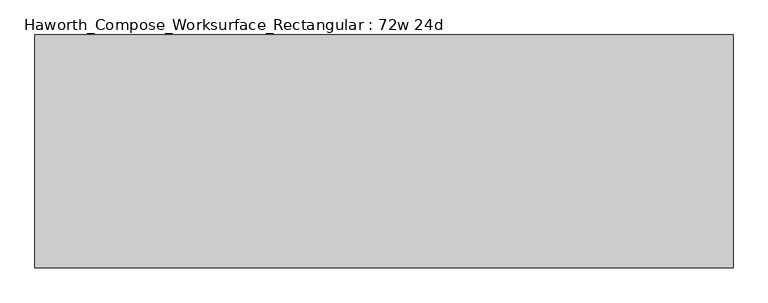
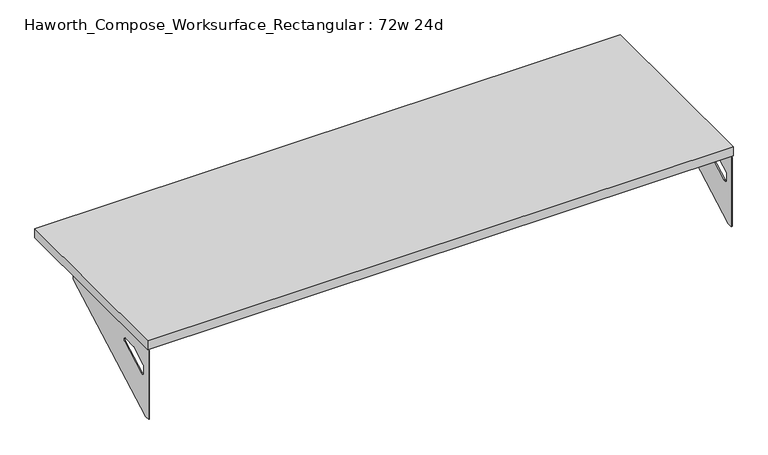
"""IFC4 building model written with IfcOpenShell, lengths in millimetres: furniture geometry, Haworth_Compose_Worksurface_Rectangular : 72w 24d."""

from ifc_helpers import new_model, si_unit, frame, origin, place, context, project, spatial, polyline, circle_curve, outline, extrude, source, transform, mapped, element, save
from ifc_brep_helpers import plane_surface, revolved_surface, advanced_brep


def haworth_compose_worksurface_rectangular_72w_24d_90ac2e42(model_context):
    return source(origin(), model_context, "Body", "SolidModel", [
        advanced_brep(
        [(908.84375, -304.8, 475.45625), (908.84375, -304.8, 704.05625), (908.84375, -288.925, 704.05625), (908.84375, 101.6, 704.05625), (908.84375, 101.6, 691.7192568), (908.84375, -288.925, 475.45625), (908.84375, -221.490072, 665.95625), (908.84375, -224.5663437, 665.1613425), (908.84375, -274.4730055, 637.5242776), (908.84375, -276.225, 634.6860246), (908.84375, -276.225, 611.1756969), (908.84375, -266.8776173, 605.5776439), (908.84375, -175.1564235, 656.3705539), (908.84375, -177.8355284, 665.95625), (911.225, -304.8, 475.45625), (911.225, -288.925, 475.45625), (911.225, 101.6, 691.7192568), (911.225, 101.6, 706.4375), (911.225, -288.925, 706.4375), (911.225, -288.925, 704.05625), (911.225, -304.8, 704.05625), (911.225, -221.490072, 665.95625), (911.225, -177.8355284, 665.95625), (911.225, -175.1564235, 656.3705539), (911.225, -266.8776173, 605.5776439), (911.225, -276.225, 611.1756969), (911.225, -276.225, 634.6860246), (911.225, -274.4730055, 637.5242776), (911.225, -224.5663437, 665.1613425), (869.95, 101.6, 704.05625), (869.95, 101.6, 706.4375), (869.95, -288.925, 704.05625), (869.95, -288.925, 706.4375)],
        [
            (0, 1),
            (1, 2),
            (2, 3),
            (3, 4),
            (4, 5),
            (5, 0),
            (6, 7, circle_curve(frame((908.84375, -221.490072, 659.60625), z_axis=(1.0, 0.0, 0.0), x_axis=(0.0, 1.0, 0.0)), 6.35)),
            (7, 8),
            (8, 9, circle_curve(frame((908.84375, -273.05, 634.6860246), z_axis=(1.0, 0.0, 0.0), x_axis=(0.0, 1.0, 0.0)), 3.175)),
            (9, 10),
            (10, 11, circle_curve(frame((908.84375, -269.875, 611.1756969), z_axis=(1.0, 0.0, 0.0), x_axis=(0.0, 1.0, 0.0)), 6.35)),
            (11, 12),
            (12, 13, circle_curve(frame((908.84375, -177.8355284, 660.7890106), z_axis=(1.0, 0.0, 0.0), x_axis=(0.0, 1.0, 0.0)), 5.1672394)),
            (13, 6),
            (14, 15),
            (15, 16),
            (16, 17),
            (17, 18),
            (18, 19),
            (19, 20),
            (20, 14),
            (21, 22),
            (22, 23, circle_curve(frame((911.225, -177.8355284, 660.7890106), z_axis=(-1.0, 0.0, 0.0), x_axis=(0.0, 1.0, 0.0)), 5.1672394)),
            (23, 24),
            (24, 25, circle_curve(frame((911.225, -269.875, 611.1756969), z_axis=(-1.0, 0.0, 0.0), x_axis=(0.0, 1.0, 0.0)), 6.35)),
            (25, 26),
            (26, 27, circle_curve(frame((911.225, -273.05, 634.6860246), z_axis=(-1.0, 0.0, 0.0), x_axis=(0.0, 1.0, 0.0)), 3.175)),
            (27, 28),
            (28, 21, circle_curve(frame((911.225, -221.490072, 659.60625), z_axis=(-1.0, 0.0, 0.0), x_axis=(0.0, 1.0, 0.0)), 6.35)),
            (1, 20),
            (19, 2),
            (0, 14),
            (5, 15),
            (4, 16),
            (3, 29),
            (29, 30),
            (30, 17),
            (13, 22),
            (21, 6),
            (10, 25),
            (24, 11),
            (9, 26),
            (8, 27),
            (12, 23),
            (31, 29),
            (2, 31),
            (32, 18),
            (30, 32),
            (32, 31),
            (7, 28),
        ],
        [
            plane_surface(frame((908.84375, -304.8, 475.45625), z_axis=(-1.0, 0.0, 0.0), x_axis=(0.0, -1.0, 0.0))),
            plane_surface(frame((911.225, -304.8, 475.45625), z_axis=(1.0, 0.0, 0.0), x_axis=(0.0, 1.0, 0.0))),
            plane_surface(frame((911.225, 101.6, 704.05625), z_axis=(0.0, 0.0, 1.0), x_axis=(-1.0, 0.0, 0.0))),
            plane_surface(frame((911.225, -304.8, 704.05625), z_axis=(0.0, -1.0, 0.0), x_axis=(-1.0, 0.0, 0.0))),
            plane_surface(frame((911.225, -304.8, 475.45625), z_axis=(0.0, 0.0, -1.0), x_axis=(-1.0, 0.0, 0.0))),
            plane_surface(frame((911.225, -288.925, 475.45625), z_axis=(0.0, 0.48445223513455843, -0.8748177135112952), x_axis=(-1.0, 0.0, 0.0))),
            plane_surface(frame((911.225, 101.6, 691.7192568), z_axis=(0.0, 1.0, 0.0), x_axis=(-1.0, 0.0, 0.0))),
            plane_surface(frame((911.225, -221.490072, 665.95625), z_axis=(0.0, 0.0, -1.0), x_axis=(-1.0, 0.0, 0.0))),
            revolved_surface(polyline([(908.84375, -263.525, 611.1756969), (911.225, -263.525, 611.1756969)]), (911.225, -269.875, 611.1756969), (-1.0, 0.0, 0.0)),
            plane_surface(frame((911.225, -276.225, 611.1756969), z_axis=(0.0, 1.0, 0.0), x_axis=(-1.0, 0.0, 0.0))),
            revolved_surface(polyline([(908.84375, -269.875, 634.6860246), (911.225, -269.875, 634.6860246)]), (911.225, -273.05, 634.6860246), (-1.0, 0.0, 0.0)),
            revolved_surface(polyline([(908.84375, -172.668289, 660.7890106), (911.225, -172.668289, 660.7890106)]), (911.225, -177.8355284, 660.7890106), (-1.0, 0.0, 0.0)),
            plane_surface(frame((911.225, -288.925, 704.05625), z_axis=(0.0, 0.0, -1.0), x_axis=(-1.0, 0.0, 0.0))),
            plane_surface(frame((911.225, -288.925, 706.4375), z_axis=(0.0, 0.0, 1.0), x_axis=(1.0, 0.0, 0.0))),
            plane_surface(frame((869.95, -288.925, 706.4375), z_axis=(0.0, -1.0, 0.0), x_axis=(0.0, 0.0, -1.0))),
            plane_surface(frame((869.95, 101.6, 706.4375), z_axis=(-1.0, 0.0, 0.0), x_axis=(0.0, 0.0, -1.0))),
            plane_surface(frame((911.225, -175.1564235, 656.3705539), z_axis=(0.0, -0.4844522351345583, 0.8748177135112953), x_axis=(-1.0, 0.0, 0.0))),
            plane_surface(frame((911.225, -274.4730055, 637.5242776), z_axis=(0.0, 0.4844522351345582, -0.8748177135112953), x_axis=(-1.0, 0.0, 0.0))),
            revolved_surface(polyline([(908.84375, -215.140072, 659.60625), (911.225, -215.140072, 659.60625)]), (911.225, -221.490072, 659.60625), (-1.0, 0.0, 0.0)),
        ],
        [
            (0, [[1, 2, 3, 4, 5, 6], [7, 8, 9, 10, 11, 12, 13, 14]]),
            (1, [[15, 16, 17, 18, 19, 20, 21], [22, 23, 24, 25, 26, 27, 28, 29]]),
            (2, [[30, -20, 31, -2]]),
            (3, [[-1, 32, -21, -30]]),
            (4, [[-6, 33, -15, -32]]),
            (5, [[-5, 34, -16, -33]]),
            (6, [[-4, 35, 36, 37, -17, -34]]),
            (7, [[-14, 38, -22, 39]]),
            (8, [[-11, 40, -25, 41]]),
            (9, [[-10, 42, -26, -40]]),
            (10, [[-9, 43, -27, -42]]),
            (11, [[-13, 44, -23, -38]]),
            (12, [[45, -35, -3, 46]]),
            (13, [[47, -18, -37, 48]]),
            (14, [[-47, 49, -46, -31, -19]]),
            (15, [[-45, -49, -48, -36]]),
            (16, [[-12, -41, -24, -44]]),
            (17, [[-8, 50, -28, -43]]),
            (18, [[-7, -39, -29, -50]]),
        ],
    ),
        advanced_brep(
        [(-908.84375, -304.8, 475.45625), (-908.84375, -288.925, 475.45625), (-908.84375, 101.6, 691.7192568), (-908.84375, 101.6, 704.05625), (-908.84375, -288.925, 704.05625), (-908.84375, -304.8, 704.05625), (-908.84375, -221.490072, 665.95625), (-908.84375, -177.8355284, 665.95625), (-908.84375, -175.1564235, 656.3705539), (-908.84375, -266.8776173, 605.5776439), (-908.84375, -276.225, 611.1756969), (-908.84375, -276.225, 634.6860246), (-908.84375, -274.4730055, 637.5242776), (-908.84375, -224.5663437, 665.1613425), (-911.225, -304.8, 475.45625), (-911.225, -304.8, 704.05625), (-911.225, -288.925, 704.05625), (-911.225, -288.925, 706.4375), (-911.225, 101.6, 706.4375), (-911.225, 101.6, 691.7192568), (-911.225, -288.925, 475.45625), (-911.225, -221.490072, 665.95625), (-911.225, -224.5663437, 665.1613425), (-911.225, -274.4730055, 637.5242776), (-911.225, -276.225, 634.6860246), (-911.225, -276.225, 611.1756969), (-911.225, -266.8776173, 605.5776439), (-911.225, -175.1564235, 656.3705539), (-911.225, -177.8355284, 665.95625), (-869.95, 101.6, 706.4375), (-869.95, 101.6, 704.05625), (-869.95, -288.925, 704.05625), (-869.95, -288.925, 706.4375)],
        [
            (0, 1),
            (1, 2),
            (2, 3),
            (3, 4),
            (4, 5),
            (5, 0),
            (6, 7),
            (7, 8, circle_curve(frame((-908.84375, -177.8355284, 660.7890106), z_axis=(-1.0, 0.0, 0.0), x_axis=(0.0, 1.0, 0.0)), 5.1672394)),
            (8, 9),
            (9, 10, circle_curve(frame((-908.84375, -269.875, 611.1756969), z_axis=(-1.0, 0.0, 0.0), x_axis=(0.0, 1.0, 0.0)), 6.35)),
            (10, 11),
            (11, 12, circle_curve(frame((-908.84375, -273.05, 634.6860246), z_axis=(-1.0, 0.0, 0.0), x_axis=(0.0, 1.0, 0.0)), 3.175)),
            (12, 13),
            (13, 6, circle_curve(frame((-908.84375, -221.490072, 659.60625), z_axis=(-1.0, 0.0, 0.0), x_axis=(0.0, 1.0, 0.0)), 6.35)),
            (14, 15),
            (15, 16),
            (16, 17),
            (17, 18),
            (18, 19),
            (19, 20),
            (20, 14),
            (21, 22, circle_curve(frame((-911.225, -221.490072, 659.60625), z_axis=(1.0, 0.0, 0.0), x_axis=(0.0, 1.0, 0.0)), 6.35)),
            (22, 23),
            (23, 24, circle_curve(frame((-911.225, -273.05, 634.6860246), z_axis=(1.0, 0.0, 0.0), x_axis=(0.0, 1.0, 0.0)), 3.175)),
            (24, 25),
            (25, 26, circle_curve(frame((-911.225, -269.875, 611.1756969), z_axis=(1.0, 0.0, 0.0), x_axis=(0.0, 1.0, 0.0)), 6.35)),
            (26, 27),
            (27, 28, circle_curve(frame((-911.225, -177.8355284, 660.7890106), z_axis=(1.0, 0.0, 0.0), x_axis=(0.0, 1.0, 0.0)), 5.1672394)),
            (28, 21),
            (4, 16),
            (15, 5),
            (14, 0),
            (20, 1),
            (19, 2),
            (18, 29),
            (29, 30),
            (30, 3),
            (6, 21),
            (28, 7),
            (9, 26),
            (25, 10),
            (24, 11),
            (23, 12),
            (27, 8),
            (31, 4),
            (30, 31),
            (32, 29),
            (17, 32),
            (31, 32),
            (22, 13),
        ],
        [
            plane_surface(frame((-908.84375, -304.8, 475.45625), z_axis=(1.0, 0.0, 0.0), x_axis=(0.0, -1.0, 0.0))),
            plane_surface(frame((-911.225, -304.8, 475.45625), z_axis=(-1.0, 0.0, 0.0), x_axis=(0.0, 1.0, 0.0))),
            plane_surface(frame((-911.225, 101.6, 704.05625), z_axis=(0.0, 0.0, 1.0), x_axis=(1.0, 0.0, 0.0))),
            plane_surface(frame((-911.225, -304.8, 704.05625), z_axis=(0.0, -1.0, 0.0), x_axis=(1.0, 0.0, 0.0))),
            plane_surface(frame((-911.225, -304.8, 475.45625), z_axis=(0.0, 0.0, -1.0), x_axis=(1.0, 0.0, 0.0))),
            plane_surface(frame((-911.225, -288.925, 475.45625), z_axis=(0.0, 0.48445223513455843, -0.8748177135112952), x_axis=(1.0, 0.0, 0.0))),
            plane_surface(frame((-911.225, 101.6, 691.7192568), z_axis=(0.0, 1.0, 0.0), x_axis=(1.0, 0.0, 0.0))),
            plane_surface(frame((-911.225, -221.490072, 665.95625), z_axis=(0.0, 0.0, -1.0), x_axis=(1.0, 0.0, 0.0))),
            revolved_surface(polyline([(-908.84375, -263.525, 611.1756969), (-911.225, -263.525, 611.1756969)]), (-911.225, -269.875, 611.1756969), (1.0, 0.0, 0.0)),
            plane_surface(frame((-911.225, -276.225, 611.1756969), z_axis=(0.0, 1.0, 0.0), x_axis=(1.0, 0.0, 0.0))),
            revolved_surface(polyline([(-908.84375, -269.875, 634.6860246), (-911.225, -269.875, 634.6860246)]), (-911.225, -273.05, 634.6860246), (1.0, 0.0, 0.0)),
            revolved_surface(polyline([(-908.84375, -172.668289, 660.7890106), (-911.225, -172.668289, 660.7890106)]), (-911.225, -177.8355284, 660.7890106), (1.0, 0.0, 0.0)),
            plane_surface(frame((-911.225, -288.925, 704.05625), z_axis=(0.0, 0.0, -1.0), x_axis=(1.0, 0.0, 0.0))),
            plane_surface(frame((-911.225, -288.925, 706.4375), z_axis=(0.0, 0.0, 1.0), x_axis=(-1.0, 0.0, 0.0))),
            plane_surface(frame((-869.95, -288.925, 706.4375), z_axis=(0.0, -1.0, 0.0), x_axis=(0.0, 0.0, -1.0))),
            plane_surface(frame((-869.95, 101.6, 706.4375), z_axis=(1.0, 0.0, 0.0), x_axis=(0.0, 0.0, -1.0))),
            plane_surface(frame((-911.225, -175.1564235, 656.3705539), z_axis=(0.0, -0.4844522351345583, 0.8748177135112953), x_axis=(1.0, 0.0, 0.0))),
            plane_surface(frame((-911.225, -274.4730055, 637.5242776), z_axis=(0.0, 0.4844522351345582, -0.8748177135112953), x_axis=(1.0, 0.0, 0.0))),
            revolved_surface(polyline([(-908.84375, -215.140072, 659.60625), (-911.225, -215.140072, 659.60625)]), (-911.225, -221.490072, 659.60625), (1.0, 0.0, 0.0)),
        ],
        [
            (0, [[1, 2, 3, 4, 5, 6], [7, 8, 9, 10, 11, 12, 13, 14]]),
            (1, [[15, 16, 17, 18, 19, 20, 21], [22, 23, 24, 25, 26, 27, 28, 29]]),
            (2, [[-5, 30, -16, 31]]),
            (3, [[-31, -15, 32, -6]]),
            (4, [[-32, -21, 33, -1]]),
            (5, [[-33, -20, 34, -2]]),
            (6, [[-34, -19, 35, 36, 37, -3]]),
            (7, [[38, -29, 39, -7]]),
            (8, [[40, -26, 41, -10]]),
            (9, [[-41, -25, 42, -11]]),
            (10, [[-42, -24, 43, -12]]),
            (11, [[-39, -28, 44, -8]]),
            (12, [[45, -4, -37, 46]]),
            (13, [[47, -35, -18, 48]]),
            (14, [[-17, -30, -45, 49, -48]]),
            (15, [[-36, -47, -49, -46]]),
            (16, [[-44, -27, -40, -9]]),
            (17, [[-43, -23, 50, -13]]),
            (18, [[-50, -22, -38, -14]]),
        ],
    ),
        extrude(outline(polyline([(914.4, -304.8), (-914.4, -304.8), (-914.4, 304.8), (914.4, 304.8), (914.4, -304.8)])), frame((0.0, 0.0, 706.4375), z_axis=(0.0, 0.0, 1.0), x_axis=(1.0, 0.0, 0.0)), (0.0, 0.0, 1.0), 30.1625),
    ])


if __name__ == "__main__":
    model = new_model("IFC4")
    model_context = context("Model", 3, world=origin())
    ifc_project = project(units=[si_unit("LENGTHUNIT", "METRE", prefix="MILLI")], contexts=[model_context])
    site = spatial("IfcSite", under=ifc_project)
    building = spatial("IfcBuilding", under=site)
    placement = place(None, origin())
    haworth_compose_worksurface_rectangular_72w_24d_shape = haworth_compose_worksurface_rectangular_72w_24d_90ac2e42(model_context)
    element("IfcFurniture", 1, ObjectType="Haworth_Compose_Worksurface_Rectangular : 72w 24d", at=placement, inside=building, context=model_context, shape_type="MappedRepresentation", body=[
        mapped(haworth_compose_worksurface_rectangular_72w_24d_shape, transform((0.0, 0.0, 0.0), x_axis=(1.0, 0.0, 0.0), y_axis=(0.0, 1.0, 0.0), z_axis=(0.0, 0.0, 1.0))),
    ])
    save(model, "model.ifc")
